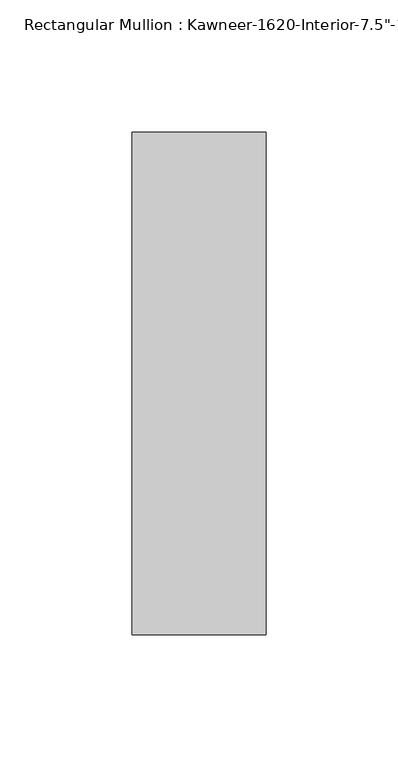
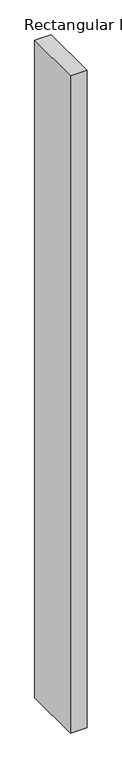
"""IFC4 building model written with IfcOpenShell, lengths in millimetres: member geometry."""

from ifc_helpers import new_model, si_unit, frame, origin, place, context, project, spatial, polyline, outline, extrude, source, transform, mapped, element, save


def member_c4e29ec5(model_context):
    return source(origin(), model_context, "Body", "SweptSolid", [
        extrude(outline(polyline([(25.4, -152.4), (-25.4, -152.4), (-25.4, 38.1), (25.4, 38.1), (25.4, -152.4)])), frame((0.0, 0.0, -2139.95), z_axis=(0.0, 0.0, 1.0), x_axis=(1.0, 0.0, 0.0)), (0.0, 0.0, 1.0), 2139.95),
    ])


if __name__ == "__main__":
    model = new_model("IFC4")
    model_context = context("Model", 3, world=origin())
    ifc_project = project(units=[si_unit("LENGTHUNIT", "METRE", prefix="MILLI")], contexts=[model_context])
    site = spatial("IfcSite", under=ifc_project)
    building = spatial("IfcBuilding", under=site)
    placement = place(None, origin())
    member_shape = member_c4e29ec5(model_context)
    element("IfcMember", 1, ObjectType="Rectangular Mullion : Kawneer-1620-Interior-7.5\"-1\"Infill", at=placement, inside=building, context=model_context, shape_type="MappedRepresentation", body=[
        mapped(member_shape, transform((0.0, 0.0, 0.0), x_axis=(1.0, 0.0, 0.0), y_axis=(0.0, 1.0, 0.0), z_axis=(0.0, 0.0, 1.0))),
    ])
    save(model, "model.ifc")
